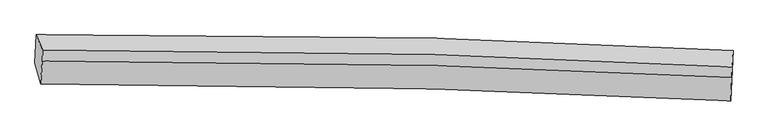
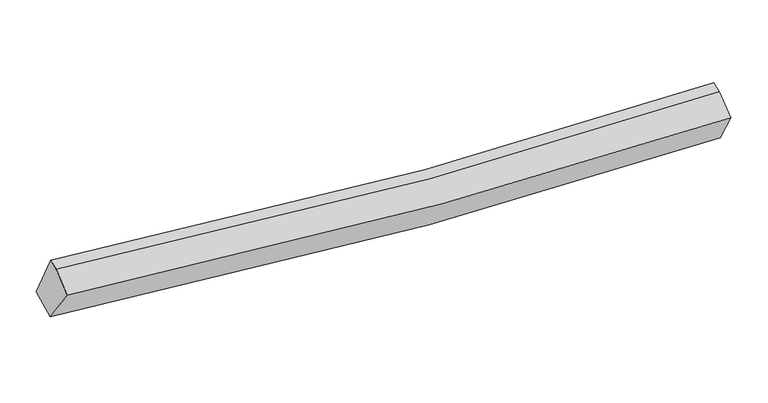
"""IFC4 building model written with IfcOpenShell, lengths in millimetres: proxy geometry."""

from ifc_helpers import new_model, si_unit, frame, origin, place, context, project, spatial, source, transform, mapped, element, save
from ifc_brep_helpers import plane_surface, spline_curve, spline_surface, advanced_brep


def generic_models_5a517c32(model_context):
    return source(origin(), model_context, "Body", "AdvancedBrep", [
        advanced_brep(
        [(-4727.6043951, -2013.7119666, 3011.6646902), (-4710.796042, -1615.462208, 3161.9848383), (5099.3177896, -1841.7458058, 2649.1168097), (5082.8992211, -2253.482975, 2536.3659462), (-4648.6343874, -2310.8313668, 3503.481526), (5067.4889627, -2549.3330567, 3034.9993316), (-4623.343312, -1982.9389127, 3702.8294477), (5079.8826694, -2221.2671461, 3235.2787569), (-4617.4211789, -1832.4326997, 3756.7998858), (5085.8048025, -2070.7609331, 3289.249195)],
        [
            (0, 1),
            (1, 2, spline_curve(3, [(-4710.796042, -1615.462208, 3161.9848383), (-2854.289560716, -1595.439913939, 2883.294799478), (-994.831110781, -1611.264580748, 2707.85724695), (2276.469467983, -1702.025149164, 2581.06508153), (3687.048962836, -1761.628347668, 2585.546624991), (5099.3177896, -1841.7458058, 2649.1168097)], [4, 2, 4], [0.0, 18.37687127415843, 32.27874430368624])),
            (2, 3),
            (3, 0, spline_curve(3, [(5082.8992211, -2253.482975, 2536.3659462), (3672.673554468, -2180.81824288, 2493.354824458), (2263.233167733, -2124.624101783, 2498.255056051), (-1007.521635566, -2032.390035588, 2620.878219364), (-2868.24912143, -2008.660506497, 2774.410902197), (-4727.6043951, -2013.7119666, 3011.6646902)], [4, 2, 4], [0.0, 13.90187302952781, 32.27874430368624])),
            (4, 0),
            (3, 5),
            (5, 4, spline_curve(3, [(5067.4889627, -2549.3330567, 3034.9993316), (3668.299231622, -2477.18581508, 2992.220361081), (2270.977238427, -2421.364772218, 2996.831299976), (-969.126524025, -2329.661733286, 3117.572016399), (-2810.512313487, -2305.982213621, 3269.121808556), (-4648.6343874, -2310.8313668, 3503.481526)], [4, 2, 4], [0.0, 13.830309629663706, 32.112581321129184])),
            (6, 4),
            (5, 7),
            (7, 6, spline_curve(3, [(5079.8826694, -2221.2671461, 3235.2787569), (3681.686003233, -2145.223853177, 3181.525983103), (2285.726811003, -2087.195442837, 3179.831743879), (-950.354175099, -1994.288072262, 3296.772549614), (-2788.80364318, -1972.873738566, 3454.317019081), (-4623.343312, -1982.9389127, 3702.8294477)], [4, 2, 4], [0.0, 13.755087510999196, 31.93792316325391])),
            (8, 6),
            (7, 9),
            (9, 8, spline_curve(3, [(5085.8048025, -2070.7609331, 3289.249195), (3687.608136363, -1994.717640603, 3235.496420964), (2291.648943947, -1936.689229887, 3233.802181883), (-944.432041792, -1843.781859196, 3350.742987841), (-2782.88151015, -1822.367525591, 3508.287456911), (-4617.4211789, -1832.4326997, 3756.7998858)], [4, 2, 4], [0.0, 13.747440815450766, 31.920168308936677])),
            (1, 8),
            (9, 2),
        ],
        [
            spline_surface(3, 3, [[(-4727.6043951, -2013.7119666, 3011.6646902), (-2868.249121315, -2008.660506591, 2774.410902432), (-1007.521635777, -2032.390035336, 2620.87821942), (2263.233167893, -2124.624101974, 2498.255056008), (3672.673554401, -2180.818242692, 2493.354824402), (5082.8992211, -2253.482975, 2536.3659462)], [(-4722.00161074, -1880.962047065, 3061.771406223), (-2863.595934365, -1870.920308995, 2810.705534701), (-1003.291460882, -1892.01488383, 2649.871228524), (2267.645267996, -1983.757784298, 2525.858397949), (3677.465357153, -2041.088277744, 2524.085424566), (5088.372077244, -2116.237251921, 2573.949567394)], [(-4716.39882636, -1748.212127535, 3111.878122277), (-2858.942747396, -1733.180111403, 2847.000167002), (-999.061285978, -1751.639732419, 2678.864237551), (2272.057368108, -1842.891466716, 2553.461739813), (3682.257159973, -1901.358312835, 2554.816024648), (5093.844933456, -1978.991528879, 2611.533188506)], [(-4710.796042, -1615.462208, 3161.9848383), (-2854.289560447, -1595.439913807, 2883.294799272), (-994.831111083, -1611.264580913, 2707.857246655), (2276.469468211, -1702.02514904, 2581.065081754), (3687.048962725, -1761.628347887, 2585.546624812), (5099.3177896, -1841.7458058, 2649.1168097)]], [4, 4], [4, 2, 4], [0.0, 1.4117267361736605], [0.0, 18.37687127415843, 32.27874430368624]),
            spline_surface(3, 3, [[(-4648.6343874, -2310.8313668, 3503.481526), (-2810.512313773, -2305.982213411, 3269.121808498), (-969.126523768, -2329.661733532, 3117.572016137), (2270.977238232, -2421.364772032, 2996.831300175), (3668.299231593, -2477.185815208, 2992.220361035), (5067.4889627, -2549.3330567, 3034.9993316)], [(-4674.957723297, -2211.791566739, 3339.542580752), (-2829.757916283, -2206.87497781, 3104.218173161), (-981.92489445, -2230.571167477, 2952.00741721), (2268.395881439, -2322.451215356, 2830.639218764), (3669.757339209, -2378.396624374, 2825.931848802), (5072.625715513, -2450.716362805, 2868.788203111)], [(-4701.281059203, -2112.751766661, 3175.603635448), (-2849.003518804, -2107.767742192, 2939.314537768), (-994.723265094, -2131.480601391, 2786.442818348), (2265.814524686, -2223.53765865, 2664.447137419), (3671.215446785, -2279.607433525, 2659.643336636), (5077.762468287, -2352.099668895, 2702.577074689)], [(-4727.6043951, -2013.7119666, 3011.6646902), (-2868.249121315, -2008.660506591, 2774.410902432), (-1007.521635777, -2032.390035336, 2620.87821942), (2263.233167893, -2124.624101974, 2498.255056008), (3672.673554401, -2180.818242692, 2493.354824402), (5082.8992211, -2253.482975, 2536.3659462)]], [4, 4], [4, 2, 4], [0.0, 1.902721115355199], [0.0, 18.28227169146548, 32.112581321129184]),
            spline_surface(3, 3, [[(-4623.343312, -1982.9389127, 3702.8294477), (-2788.803643211, -1972.873738702, 3454.317018859), (-950.354175059, -1994.288072461, 3296.772549592), (2285.726810973, -2087.195442686, 3179.831743896), (3681.686003284, -2145.223853376, 3181.525982882), (5079.8826694, -2221.2671461, 3235.2787569)], [(-4631.773670476, -2092.236397396, 3636.38014046), (-2796.039866741, -2083.909896934, 3392.585282065), (-956.61162463, -2106.079292833, 3237.039038446), (2280.810286724, -2198.58521915, 3118.831595995), (3677.223746043, -2255.877840642, 3118.424108936), (5075.751433823, -2330.622449622, 3168.518948469)], [(-4640.204028924, -2201.533882104, 3569.93083324), (-2803.276090243, -2194.946055179, 3330.853545292), (-962.869074196, -2217.87051316, 3177.305527282), (2275.893762481, -2309.974995569, 3057.831448075), (3672.761488834, -2366.531827941, 3055.322234982), (5071.620198277, -2439.977753178, 3101.759140031)], [(-4648.6343874, -2310.8313668, 3503.481526), (-2810.512313773, -2305.982213411, 3269.121808498), (-969.126523768, -2329.661733532, 3117.572016137), (2270.977238232, -2421.364772032, 2996.831300175), (3668.299231593, -2477.185815208, 2992.220361035), (5067.4889627, -2549.3330567, 3034.9993316)]], [4, 4], [4, 2, 4], [0.0, 1.2498873077981136], [0.0, 18.182835652254713, 31.93792316325391]),
            spline_surface(3, 3, [[(-4617.4211789, -1832.4326997, 3756.7998858), (-2782.881510111, -1822.367525702, 3508.287456959), (-944.432041959, -1843.781859461, 3350.742987692), (2291.648944073, -1936.689229686, 3233.802181996), (3687.608136384, -1994.717640376, 3235.496420982), (5085.8048025, -2070.7609331, 3289.249195)], [(-4619.395223256, -1882.601437371, 3738.809739781), (-2784.855554468, -1872.536263373, 3490.297310939), (-946.406086315, -1893.950597132, 3332.752841672), (2289.674899716, -1986.857967357, 3215.812035976), (3685.634092027, -2044.886378047, 3217.506274962), (5083.830758144, -2120.929670771, 3271.259048981)], [(-4621.369267644, -1932.770175029, 3720.819593719), (-2786.829598855, -1922.705001031, 3472.307164878), (-948.380130702, -1944.11933479, 3314.762695611), (2287.700855329, -2037.026705015, 3197.821889915), (3683.66004764, -2095.055115705, 3199.516128901), (5081.856713756, -2171.098408429, 3253.268902919)], [(-4623.343312, -1982.9389127, 3702.8294477), (-2788.803643211, -1972.873738702, 3454.317018859), (-950.354175059, -1994.288072461, 3296.772549592), (2285.726810973, -2087.195442686, 3179.831743896), (3681.686003284, -2145.223853376, 3181.525982882), (5079.8826694, -2221.2671461, 3235.2787569)]], [4, 4], [4, 2, 4], [0.0, 0.5249343832020984], [0.0, 18.17272749348591, 31.920168308936677]),
            spline_surface(3, 3, [[(-4710.796042, -1615.462208, 3161.9848383), (-2854.289560447, -1595.439913807, 2883.294799272), (-994.831111083, -1611.264580913, 2707.857246655), (2276.469468211, -1702.02514904, 2581.065081754), (3687.048962725, -1761.628347887, 2585.546624812), (5099.3177896, -1841.7458058, 2649.1168097)], [(-4679.671087631, -1687.785705229, 3360.256520785), (-2830.486877, -1671.082451101, 3091.625685152), (-978.031421367, -1688.770340431, 2922.152493643), (2281.529293506, -1780.246509257, 2798.644115144), (3687.235353954, -1839.324778731, 2802.196556848), (5094.813460576, -1918.08418158, 2862.494271446)], [(-4648.546133269, -1760.109202471, 3558.528203315), (-2806.684193559, -1746.724988408, 3299.956571079), (-961.231731674, -1766.276099943, 3136.447740703), (2286.589118778, -1858.467869469, 3016.223148606), (3687.421745155, -1917.021209533, 3018.846488946), (5090.309131524, -1994.42255732, 3075.871733254)], [(-4617.4211789, -1832.4326997, 3756.7998858), (-2782.881510111, -1822.367525702, 3508.287456959), (-944.432041959, -1843.781859461, 3350.742987692), (2291.648944073, -1936.689229686, 3233.802181996), (3687.608136384, -1994.717640376, 3235.496420982), (5085.8048025, -2070.7609331, 3289.249195)]], [4, 4], [4, 2, 4], [0.0, 2.2562624585654603], [0.0, 18.27854993635406, 32.10604410487457]),
            plane_surface(frame((5083.0786891, -2187.3179834, 2949.0020079), z_axis=(0.9991171679595232, -0.0415464246237659, 0.006227301945760783), x_axis=(-0.0322275919035182, -0.8530760419131548, -0.5207904079703135))),
            plane_surface(frame((-4665.5598631, -1951.0754308, 3427.3520776), z_axis=(-0.9886069601349101, -0.014813558621563076, 0.14978930820915642), x_axis=(-0.03945562588441922, -0.934844324642059, -0.3528588135084645))),
        ],
        [
            (0, [[1, 2, 3, 4]]),
            (1, [[5, -4, 6, 7]]),
            (2, [[8, -7, 9, 10]]),
            (3, [[11, -10, 12, 13]]),
            (4, [[14, -13, 15, -2]]),
            (5, [[-9, -6, -3, -15, -12]]),
            (6, [[-1, -5, -8, -11, -14]]),
        ],
    ),
    ])


if __name__ == "__main__":
    model = new_model("IFC4")
    model_context = context("Model", 3, world=origin())
    ifc_project = project(units=[si_unit("LENGTHUNIT", "METRE", prefix="MILLI")], contexts=[model_context])
    site = spatial("IfcSite", under=ifc_project)
    building = spatial("IfcBuilding", under=site)
    placement = place(None, origin())
    generic_models_shape = generic_models_5a517c32(model_context)
    element("IfcBuildingElementProxy", 1, Name="Generic Models", at=placement, inside=building, context=model_context, shape_type="MappedRepresentation", body=[
        mapped(generic_models_shape, transform((0.0, 0.0, 0.0), x_axis=(1.0, 0.0, 0.0), y_axis=(0.0, 1.0, 0.0), z_axis=(0.0, 0.0, 1.0))),
    ])
    save(model, "model.ifc")
